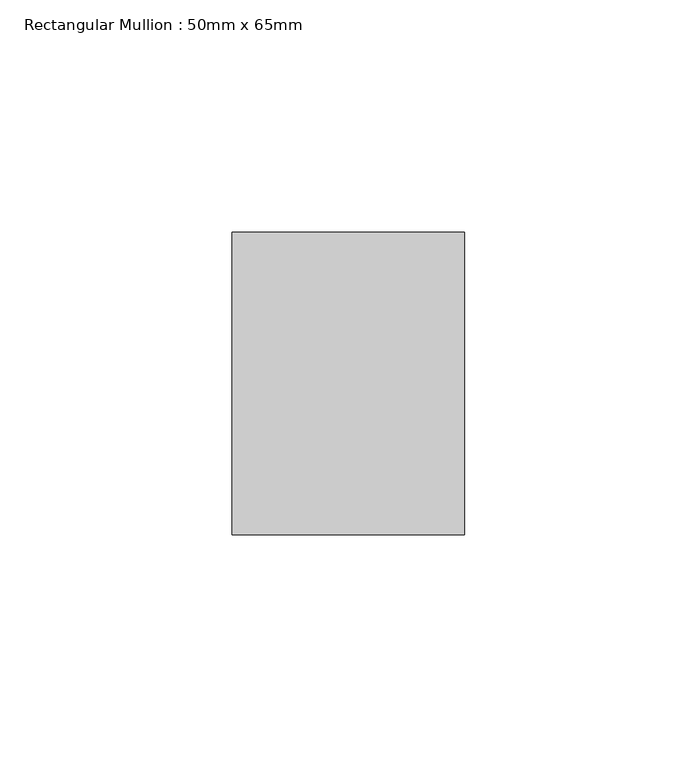
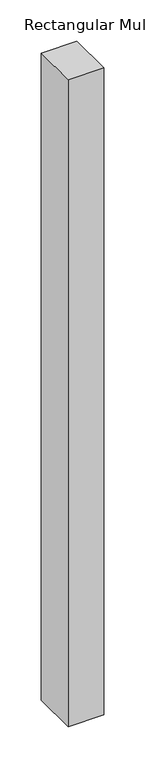
"""IFC4 building model written with IfcOpenShell, lengths in millimetres: member geometry, Rectangular Mullion : 50mm x 65mm."""

from ifc_helpers import new_model, si_unit, frame, origin, place, context, project, spatial, polyline, outline, extrude, source, transform, mapped, element, save


def rectangular_mullion_50mm_x_65mm_681b4972(model_context):
    return source(origin(), model_context, "Body", "SweptSolid", [
        extrude(outline(polyline([(25.0, 32.5), (25.0, -32.5), (-25.0, -32.5), (-25.0, 32.5), (25.0, 32.5)])), frame((0.0, 0.0, -957.7638141), z_axis=(0.0, 0.0, 1.0), x_axis=(1.0, 0.0, 0.0)), (0.0, 0.0, 1.0), 957.7638141),
    ])


if __name__ == "__main__":
    model = new_model("IFC4")
    model_context = context("Model", 3, world=origin())
    ifc_project = project(units=[si_unit("LENGTHUNIT", "METRE", prefix="MILLI")], contexts=[model_context])
    site = spatial("IfcSite", under=ifc_project)
    building = spatial("IfcBuilding", under=site)
    placement = place(None, origin())
    rectangular_mullion_50mm_x_65mm_shape = rectangular_mullion_50mm_x_65mm_681b4972(model_context)
    element("IfcMember", 1, ObjectType="Rectangular Mullion : 50mm x 65mm", at=placement, inside=building, context=model_context, shape_type="MappedRepresentation", body=[
        mapped(rectangular_mullion_50mm_x_65mm_shape, transform((0.0, 0.0, 0.0), x_axis=(1.0, 0.0, 0.0), y_axis=(0.0, 1.0, 0.0), z_axis=(0.0, 0.0, 1.0))),
    ])
    save(model, "model.ifc")
